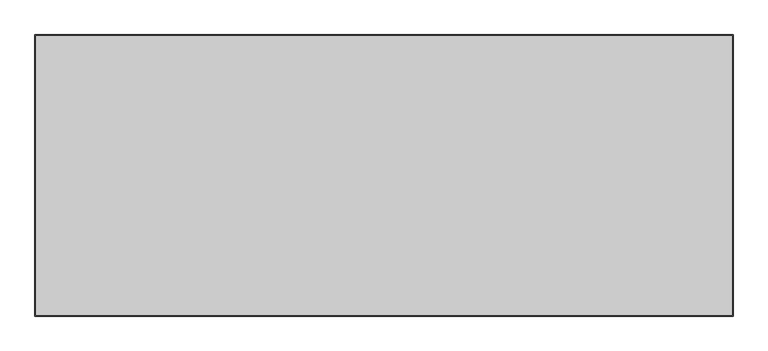
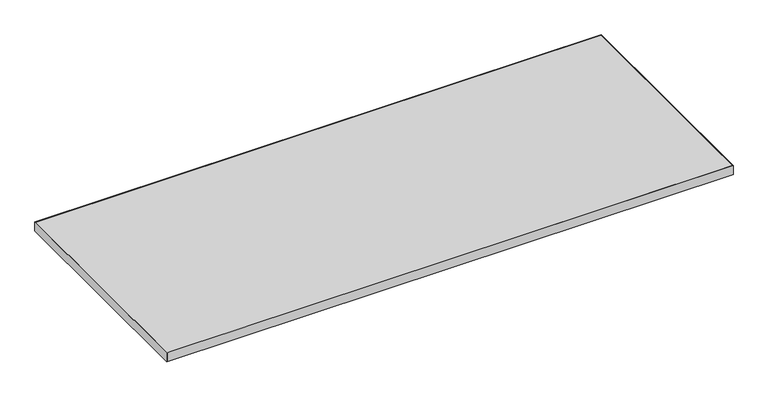
"""IFC4 building model written with IfcOpenShell, lengths in millimetres: furniture geometry."""

from ifc_helpers import new_model, si_unit, frame, origin, place, context, project, spatial, polyline, outline, extrude, source, transform, mapped, element, save


def furniture_90f3bf2e(model_context):
    return source(origin(), model_context, "Body", "SweptSolid", [
        extrude(outline(polyline([(1361.5273996, 23.8916812), (-461.0242004, 23.8916812), (-461.0242004, 757.2912812), (1361.5273996, 757.2912812), (1361.5273996, 23.8916812)])), frame((0.0, 0.0, 707.0328125), z_axis=(0.0, 0.0, 1.0), x_axis=(1.0, 0.0, 0.0)), (0.0, 0.0, 1.0), 29.5671875),
        extrude(outline(polyline([(1363.1148996, 758.8787812), (1363.1148996, 22.3041812), (-462.6117004, 22.3041812), (-462.6117004, 758.8787812), (1363.1148996, 758.8787812)]), holes=[polyline([(-461.0242004, 757.2912812), (-461.0242004, 23.8916812), (1361.5273996, 23.8916812), (1361.5273996, 757.2912812), (-461.0242004, 757.2912812)])]), frame((0.0, 0.0, 707.009), z_axis=(0.0, 0.0, 1.0), x_axis=(1.0, 0.0, 0.0)), (0.0, 0.0, 1.0), 29.591),
    ])


if __name__ == "__main__":
    model = new_model("IFC4")
    model_context = context("Model", 3, world=origin())
    ifc_project = project(units=[si_unit("LENGTHUNIT", "METRE", prefix="MILLI")], contexts=[model_context])
    site = spatial("IfcSite", under=ifc_project)
    building = spatial("IfcBuilding", under=site)
    placement = place(None, origin())
    furniture_shape = furniture_90f3bf2e(model_context)
    element("IfcFurniture", 1, at=placement, inside=building, context=model_context, shape_type="MappedRepresentation", body=[
        mapped(furniture_shape, transform((0.0, 0.0, 0.0), x_axis=(1.0, 0.0, 0.0), y_axis=(0.0, 1.0, 0.0), z_axis=(0.0, 0.0, 1.0))),
    ])
    save(model, "model.ifc")
